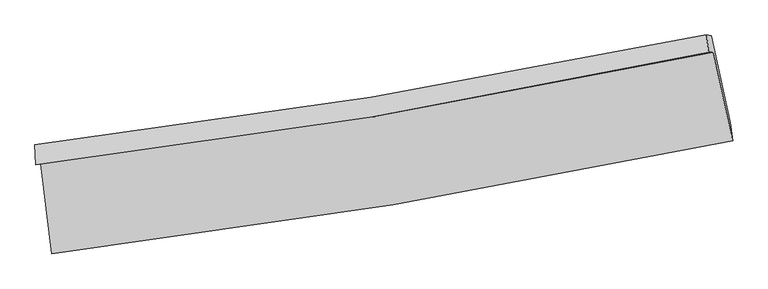
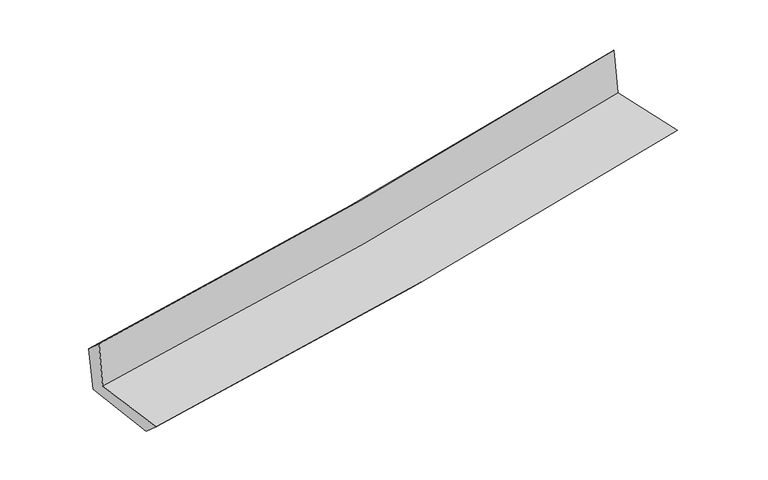
"""IFC4 building model written with IfcOpenShell, lengths in millimetres: proxy geometry."""

from ifc_helpers import new_model, si_unit, frame, origin, place, context, project, spatial, source, transform, mapped, element, save
from ifc_brep_helpers import plane_surface, spline_curve, spline_surface, advanced_brep


def generic_models_4482e3db(model_context):
    return source(origin(), model_context, "Body", "AdvancedBrep", [
        advanced_brep(
        [(-2496.1006718, -1887.3854487, 1662.8959064), (-2412.5465178, -2547.7400533, 1660.6910875), (2578.982865, -1721.4844279, 2126.1689514), (2438.4360549, -1070.9881807, 2123.3381679), (-2530.5636173, -1894.9062935, 2066.7258736), (2402.6891881, -1071.9663584, 2527.490287), (-2537.5444765, -1749.3746877, 1936.832262), (2387.6624031, -944.1341241, 2385.3991935), (-2503.3816276, -1756.3134752, 1557.239938), (2422.8864277, -950.890168, 2005.9388554), (-2419.097078, -2411.3986049, 1539.120242), (2561.6769361, -1586.7940969, 1993.0100365)],
        [
            (0, 1),
            (1, 2, spline_curve(3, [(-2412.5465178, -2547.7400533, 1660.6910875), (-1575.70534815, -2445.39932198, 1736.460923533), (-742.065773267, -2325.529624195, 1813.064450198), (921.800452844, -2050.237547443, 1968.217723218), (1752.004005424, -1894.688703353, 2046.773484539), (2578.982865, -1721.4844279, 2126.1689514)], [4, 2, 4], [0.0, 8.274562153167606, 16.578919593834478])),
            (2, 3),
            (3, 0, spline_curve(3, [(2438.4360549, -1070.9881807, 2123.3381679), (1620.898813202, -1245.495673638, 2044.735199433), (800.174059614, -1400.870470162, 1966.996118277), (-844.694347719, -1672.865846437, 1813.521552602), (-1668.815169802, -1789.62347255, 1737.779879669), (-2496.1006718, -1887.3854487, 1662.8959064)], [4, 2, 4], [0.0, 8.304357440666871, 16.578919593834478])),
            (4, 0),
            (3, 5),
            (5, 4, spline_curve(3, [(2402.6891881, -1071.9663584, 2527.490287), (1585.25014139, -1249.869652932, 2455.744895921), (764.68177533, -1407.486482414, 2381.401498794), (-879.758241331, -1681.65448339, 2227.794751839), (-1703.607477339, -1798.350965301, 2148.550010891), (-2530.5636173, -1894.9062935, 2066.7258736)], [4, 2, 4], [0.0, 8.256876328595395, 16.48412772765059])),
            (6, 4),
            (5, 7),
            (7, 6, spline_curve(3, [(2387.6624031, -944.1341241, 2385.3991935), (1570.30835693, -1113.519509533, 2315.02388096), (750.455320815, -1265.40478508, 2242.384405721), (-891.298206118, -1533.692953835, 2092.845877194), (-1713.180796299, -1650.221199611, 2015.963041819), (-2537.5444765, -1749.3746877, 1936.832262)], [4, 2, 4], [0.0, 8.246769787193363, 16.46395090620797])),
            (8, 6),
            (7, 9),
            (9, 8, spline_curve(3, [(2422.8864277, -950.890168, 2005.9388554), (1606.279049763, -1120.492185426, 1925.570979099), (786.709927433, -1272.500865643, 1847.933162717), (-855.400639072, -1540.849281198, 1698.386412175), (-1677.920868478, -1657.315036829, 1626.457922798), (-2503.3816276, -1756.3134752, 1557.239938)], [4, 2, 4], [0.0, 8.237501802768831, 16.44544819005334])),
            (10, 8),
            (9, 11),
            (11, 10, spline_curve(3, [(2561.6769361, -1586.7940969, 1993.0100365), (1736.704155615, -1759.717949302, 1911.841172948), (908.401344986, -1914.988746163, 1833.369453469), (-751.880512362, -2189.730467363, 1682.092174891), (-1583.835706487, -2309.327840146, 1609.267296238), (-2419.097078, -2411.3986049, 1539.120242)], [4, 2, 4], [0.0, 8.285406327673016, 16.54108536273549])),
            (1, 10),
            (11, 2),
        ],
        [
            spline_surface(3, 3, [[(-2496.1006718, -1887.3854487, 1662.8959064), (-1668.815169899, -1789.623472479, 1737.77987975), (-844.694347819, -1672.865846383, 1813.521552522), (800.174059714, -1400.870470217, 1966.996118357), (1620.898813225, -1245.495673623, 2044.735199456), (2438.4360549, -1070.9881807, 2123.3381679)], [(-2468.24928714, -2107.503650231, 1662.160966756), (-1637.778562645, -2008.215422295, 1737.340227638), (-810.484822942, -1890.420439011, 1813.369185045), (840.716190715, -1617.326162603, 1967.403320001), (1664.600543954, -1461.893350146, 2045.414627847), (2485.284991608, -1287.820263076, 2124.281762405)], [(-2440.39790246, -2327.621851769, 1661.426027144), (-1606.74195537, -2226.807372118, 1736.900575558), (-776.275298042, -2107.975031637, 1813.216817587), (881.258321741, -1833.781854986, 1967.810521664), (1708.30227466, -1678.291026741, 2046.094056224), (2532.133928292, -1504.652345524, 2125.225356895)], [(-2412.5465178, -2547.7400533, 1660.6910875), (-1575.705348115, -2445.399321935, 1736.460923446), (-742.065773165, -2325.529624266, 1813.06445011), (921.800452742, -2050.237547372, 1968.217723307), (1752.004005389, -1894.688703263, 2046.773484616), (2578.982865, -1721.4844279, 2126.1689514)]], [4, 4], [4, 2, 4], [0.0, 2.1673263360437867], [0.0, 8.274562153167606, 16.578919593834478]),
            spline_surface(3, 3, [[(-2530.5636173, -1894.9062935, 2066.7258736), (-1703.607477357, -1798.35096538, 2148.550011001), (-879.758241463, -1681.654483309, 2227.79475172), (764.681775463, -1407.486482495, 2381.401498913), (1585.250141413, -1249.869652838, 2455.744895967), (2402.6891881, -1071.9663584, 2527.490287)], [(-2519.075968806, -1892.399345243, 1932.115884552), (-1692.010041544, -1795.44180109, 2011.626633936), (-868.070276931, -1678.724937672, 2089.703685329), (776.512536864, -1405.281145074, 2243.266372069), (1597.13303202, -1248.411659773, 2318.741663783), (2414.60481037, -1071.640299173, 2392.772913953)], [(-2507.588320294, -1889.892396957, 1797.505895448), (-1680.412605712, -1792.532636769, 1874.703256816), (-856.382312351, -1675.795392019, 1951.612618913), (788.343298313, -1403.075807638, 2105.1312452), (1609.015922618, -1246.953666688, 2181.738431639), (2426.52043263, -1071.314239927, 2258.055540947)], [(-2496.1006718, -1887.3854487, 1662.8959064), (-1668.815169899, -1789.623472479, 1737.77987975), (-844.694347819, -1672.865846383, 1813.521552522), (800.174059714, -1400.870470217, 1966.996118357), (1620.898813225, -1245.495673623, 2044.735199456), (2438.4360549, -1070.9881807, 2123.3381679)]], [4, 4], [4, 2, 4], [0.0, 1.3645339294795298], [0.0, 8.227251399055197, 16.48412772765059]),
            spline_surface(3, 3, [[(-2537.5444765, -1749.3746877, 1936.832262), (-1713.180796377, -1650.221199627, 2015.96304195), (-891.298205989, -1533.692953887, 2092.845877177), (750.455320686, -1265.404785028, 2242.384405739), (1570.308356811, -1113.519509607, 2315.023881044), (2387.6624031, -944.1341241, 2385.3991935)], [(-2535.217523407, -1797.885222946, 1980.130132506), (-1709.989690011, -1699.597788192, 2060.158698273), (-887.45155114, -1583.013463706, 2137.828835351), (755.197472285, -1312.765350862, 2288.72343679), (1575.288951673, -1158.969557364, 2361.93088602), (2392.671331428, -986.74486888, 2432.762891335)], [(-2532.890570393, -1846.395758254, 2023.428003094), (-1706.798583723, -1748.974376816, 2104.354354678), (-883.604896312, -1632.333973489, 2182.811793546), (759.939623864, -1360.125916661, 2335.062467862), (1580.269546551, -1204.419605081, 2408.837890991), (2397.680259772, -1029.35561362, 2480.126589165)], [(-2530.5636173, -1894.9062935, 2066.7258736), (-1703.607477357, -1798.35096538, 2148.550011001), (-879.758241463, -1681.654483309, 2227.79475172), (764.681775463, -1407.486482495, 2381.401498913), (1585.250141413, -1249.869652838, 2455.744895967), (2402.6891881, -1071.9663584, 2527.490287)]], [4, 4], [4, 2, 4], [0.0, 0.655845042018251], [0.0, 8.217181119014606, 16.46395090620797]),
            spline_surface(3, 3, [[(-2503.3816276, -1756.3134752, 1557.239938), (-1677.920868571, -1657.315036758, 1626.457922754), (-855.400639117, -1540.849281214, 1698.386412183), (786.709927478, -1272.500865627, 1847.933162709), (1606.27904977, -1120.49218543, 1925.570979079), (2422.8864277, -950.890168, 2005.9388554)], [(-2514.769243917, -1754.00054604, 1683.770712682), (-1689.674177857, -1654.950424388, 1756.292962502), (-867.366494741, -1538.463838776, 1829.872900531), (774.625058547, -1270.135505432, 1979.416910402), (1594.288818767, -1118.167960139, 2055.388613067), (2411.14508615, -948.63815335, 2132.425634766)], [(-2526.156860183, -1751.68761686, 1810.301487318), (-1701.427487092, -1652.585811998, 1886.128002203), (-879.332350365, -1536.078396324, 1961.359388829), (762.540189617, -1267.770145223, 2110.900658045), (1582.298587814, -1115.843734899, 2185.206247056), (2399.40374465, -946.38613875, 2258.912414134)], [(-2537.5444765, -1749.3746877, 1936.832262), (-1713.180796377, -1650.221199627, 2015.96304195), (-891.298205989, -1533.692953887, 2092.845877177), (750.455320686, -1265.404785028, 2242.384405739), (1570.308356811, -1113.519509607, 2315.023881044), (2387.6624031, -944.1341241, 2385.3991935)]], [4, 4], [4, 2, 4], [0.0, 1.2997563414124698], [0.0, 8.20794638728451, 16.44544819005334]),
            spline_surface(3, 3, [[(-2419.097078, -2411.3986049, 1539.120242), (-1583.83570655, -2309.327840158, 1609.267296174), (-751.880512464, -2189.730467478, 1682.092174853), (908.401345089, -1914.988746047, 1833.369453508), (1736.704155656, -1759.717949397, 1911.84117302), (2561.6769361, -1586.7940969, 1993.0100365)], [(-2447.191927847, -2193.036895008, 1545.160140661), (-1615.197427204, -2091.990239033, 1614.997505028), (-786.387221346, -1973.436738731, 1687.523587299), (867.837539221, -1700.826119248, 1838.224023244), (1693.229120367, -1546.642694755, 1916.417775046), (2515.413433306, -1374.826120614, 1997.319642807)], [(-2475.286777753, -1974.675185092, 1551.200039339), (-1646.559147917, -1874.652637884, 1620.7277139), (-820.893930235, -1757.143009961, 1692.954999737), (827.273733346, -1486.663492426, 1843.078592973), (1649.75408506, -1333.567440071, 1920.994377053), (2469.149930494, -1162.858144286, 2001.629249093)], [(-2503.3816276, -1756.3134752, 1557.239938), (-1677.920868571, -1657.315036758, 1626.457922754), (-855.400639117, -1540.849281214, 1698.386412183), (786.709927478, -1272.500865627, 1847.933162709), (1606.27904977, -1120.49218543, 1925.570979079), (2422.8864277, -950.890168, 2005.9388554)]], [4, 4], [4, 2, 4], [0.0, 2.1509378778147403], [0.0, 8.255679035062474, 16.54108536273549]),
            spline_surface(3, 3, [[(-2412.5465178, -2547.7400533, 1660.6910875), (-1575.705348115, -2445.399321935, 1736.460923446), (-742.065773165, -2325.529624266, 1813.06445011), (921.800452742, -2050.237547372, 1968.217723307), (1752.004005389, -1894.688703263, 2046.773484616), (2578.982865, -1721.4844279, 2126.1689514)], [(-2414.730037883, -2502.292903831, 1620.167472343), (-1578.41546761, -2400.04216134, 1694.063047699), (-745.337352916, -2280.26323864, 1769.40702501), (917.33408354, -2005.154613567, 1923.268300026), (1746.904055483, -1849.698451982, 2001.796047418), (2573.214222039, -1676.587650907, 2081.782646434)], [(-2416.913557917, -2456.845754369, 1579.643857157), (-1581.125587055, -2354.685000752, 1651.665171921), (-748.608932713, -2234.996853104, 1725.749599953), (912.867714291, -1960.071679852, 1878.318876789), (1741.804105562, -1804.708200678, 1956.818610218), (2567.445579061, -1631.690873893, 2037.396341466)], [(-2419.097078, -2411.3986049, 1539.120242), (-1583.83570655, -2309.327840158, 1609.267296174), (-751.880512464, -2189.730467478, 1682.092174853), (908.401345089, -1914.988746047, 1833.369453508), (1736.704155656, -1759.717949397, 1911.84117302), (2561.6769361, -1586.7940969, 1993.0100365)]], [4, 4], [4, 2, 4], [0.0, 0.623949322209164], [0.0, 8.312155968113466, 16.654242592644064]),
            plane_surface(frame((2465.3889792, -1224.376226, 2193.5575819), z_axis=(0.9736927758670786, 0.2107539460078195, 0.08663228304966082), x_axis=(-0.09241474212840846, 0.0177253469971244, 0.9955628194700581))),
            plane_surface(frame((-2483.2056648, -2041.1864272, 1737.2508849), z_axis=(-0.9883925768571956, -0.12477115461944281, -0.08667336954638366), x_axis=(-0.12552769031956887, 0.9920845865580942, 0.003312412548252407))),
        ],
        [
            (0, [[1, 2, 3, 4]]),
            (1, [[5, -4, 6, 7]]),
            (2, [[8, -7, 9, 10]]),
            (3, [[11, -10, 12, 13]]),
            (4, [[14, -13, 15, 16]]),
            (5, [[17, -16, 18, -2]]),
            (6, [[-12, -9, -6, -3, -18, -15]]),
            (7, [[-1, -5, -8, -11, -14, -17]]),
        ],
    ),
    ])


if __name__ == "__main__":
    model = new_model("IFC4")
    model_context = context("Model", 3, world=origin())
    ifc_project = project(units=[si_unit("LENGTHUNIT", "METRE", prefix="MILLI")], contexts=[model_context])
    site = spatial("IfcSite", under=ifc_project)
    building = spatial("IfcBuilding", under=site)
    placement = place(None, origin())
    generic_models_shape = generic_models_4482e3db(model_context)
    element("IfcBuildingElementProxy", 1, Name="Generic Models", at=placement, inside=building, context=model_context, shape_type="MappedRepresentation", body=[
        mapped(generic_models_shape, transform((0.0, 0.0, 0.0), x_axis=(1.0, 0.0, 0.0), y_axis=(0.0, 1.0, 0.0), z_axis=(0.0, 0.0, 1.0))),
    ])
    save(model, "model.ifc")
